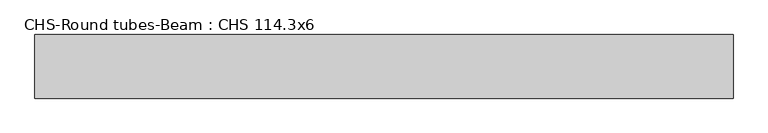
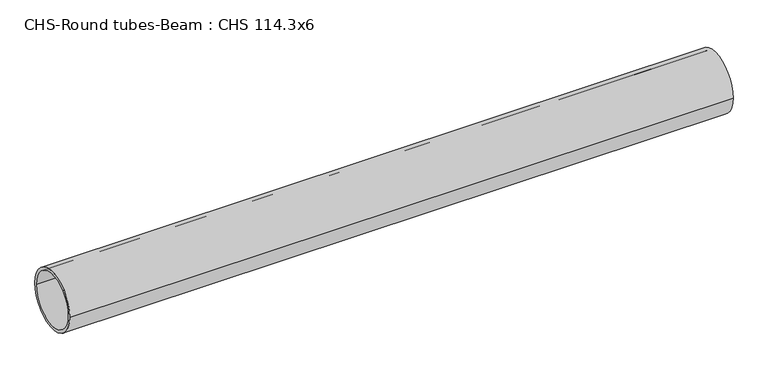
"""IFC4 building model written with IfcOpenShell, lengths in millimetres: beam geometry, CHS-Round tubes-Beam : CHS 114.3x6."""

from ifc_helpers import new_model, si_unit, point, frame, origin, origin_2d, place, context, project, spatial, circle_curve, trimmed, segment, composite_curve, outline, extrude, source, transform, mapped, element, save


def chs_round_tubes_beam_chs_114_3x6_64c308b8(model_context):
    return source(origin(), model_context, "Body", "SweptSolid", [
        extrude(outline(composite_curve([segment(trimmed(circle_curve(origin_2d(), 57.15), [point((57.15, 0.0))], [point((-57.15, 0.0))], False, "CARTESIAN"), True, "CONTINUOUS"), segment(trimmed(circle_curve(origin_2d(), 57.15), [point((-57.15, 0.0))], [point((57.15, 0.0))], False, "CARTESIAN"), True, "CONTINUOUS")], self_intersect=False), holes=[composite_curve([segment(trimmed(circle_curve(origin_2d(), 51.15), [point((51.15, 0.0))], [point((-51.15, 0.0))], True, "CARTESIAN"), True, "CONTINUOUS"), segment(trimmed(circle_curve(origin_2d(), 51.15), [point((-51.15, 0.0))], [point((51.15, 0.0))], True, "CARTESIAN"), True, "CONTINUOUS")], self_intersect=False)]), frame((-627.299761, 0.0, 0.0), z_axis=(1.0, 0.0, 0.0), x_axis=(0.0, 1.0, 0.0)), (0.0, 0.0, 1.0), 1254.5989049),
    ])


if __name__ == "__main__":
    model = new_model("IFC4")
    model_context = context("Model", 3, world=origin())
    ifc_project = project(units=[si_unit("LENGTHUNIT", "METRE", prefix="MILLI")], contexts=[model_context])
    site = spatial("IfcSite", under=ifc_project)
    building = spatial("IfcBuilding", under=site)
    placement = place(None, origin())
    chs_round_tubes_beam_chs_114_3x6_shape = chs_round_tubes_beam_chs_114_3x6_64c308b8(model_context)
    element("IfcBeam", 1, ObjectType="CHS-Round tubes-Beam : CHS 114.3x6", at=placement, inside=building, context=model_context, shape_type="MappedRepresentation", body=[
        mapped(chs_round_tubes_beam_chs_114_3x6_shape, transform((0.0, 0.0, 0.0), x_axis=(1.0, 0.0, 0.0), y_axis=(0.0, 1.0, 0.0), z_axis=(0.0, 0.0, 1.0))),
    ])
    save(model, "model.ifc")
